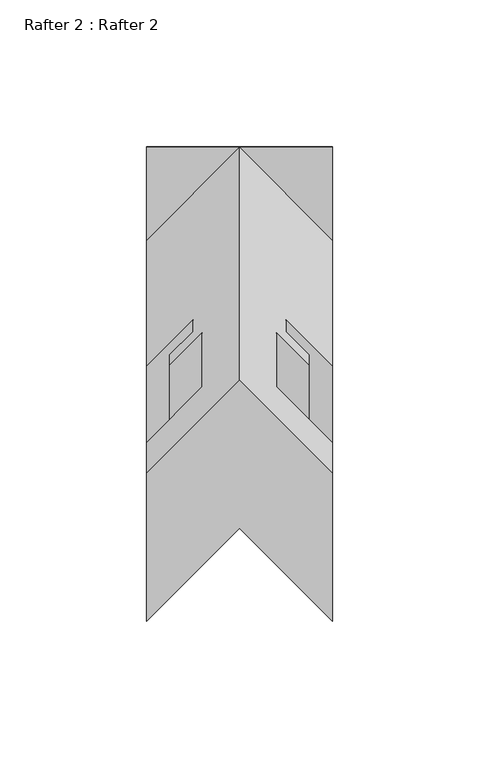
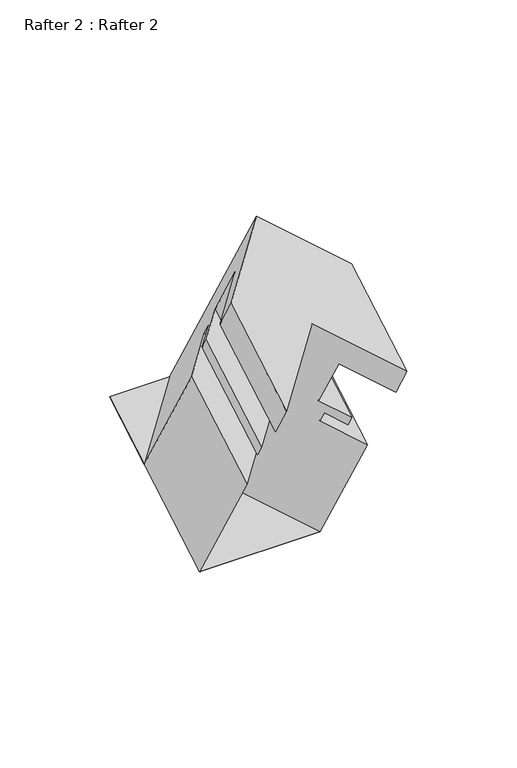
"""IFC4 building model written with IfcOpenShell, lengths in millimetres: proxy geometry, Rafter 2 : Rafter 2."""

from ifc_helpers import new_model, si_unit, origin, place, context, project, spatial, faceted_brep, source, transform, mapped, element, save


def rafter_2_rafter_2_d30ca8e8(model_context):
    return source(origin(), model_context, "Body", "Brep", [
        faceted_brep([(-8366.1192107, 8437.1231852, 1887.6597378), (-8302.6192107, 8437.1231852, 1887.6597378), (-8302.6192107, 8437.0185515, 1887.8409687), (-8366.1192107, 8437.0185515, 1887.8409687), (-8302.6192107, 8519.5406657, 1935.2434924), (-8366.1192107, 8519.5406657, 1935.2434924), (-8366.1192107, 8519.436032, 1935.4247233), (-8334.3692107, 8519.436032, 1935.4247233), (-8302.6192107, 8519.436032, 1935.4247233), (-8302.6192107, 8367.8954852, 2007.5656315), (-8302.6192107, 8418.5629657, 2036.818515), (-8302.6192107, 8408.2251657, 2054.7241098), (-8302.6192107, 8357.5576852, 2025.4712264), (-8321.6692107, 8386.9454852, 2018.5641542), (-8321.6692107, 8437.6129657, 2047.8170376), (-8321.6692107, 8405.3731852, 1986.6464415), (-8321.6692107, 8456.0406657, 2015.899325), (-8310.5440107, 8394.2479852, 1980.2233043), (-8310.5440107, 8444.9154657, 2009.4761878), (-8310.5440107, 8397.8293852, 1974.0201375), (-8310.5440107, 8448.4968657, 2003.273021), (-8318.4942107, 8405.7795852, 1978.6101876), (-8318.4942107, 8456.4470657, 2007.8630711), (-8318.4942107, 8409.7292852, 1971.7691066), (-8318.4942107, 8460.3967657, 2001.02199), (-8302.6192107, 8393.8542852, 1962.603671), (-8302.6192107, 8444.5217657, 1991.8565545), (-8302.6192107, 8487.686032, 1917.0938522), (-8366.1192107, 8393.8542852, 1962.603671), (-8366.1192107, 8444.5217657, 1991.8565545), (-8366.1192107, 8487.686032, 1917.0938522), (-8350.2442107, 8409.7292852, 1971.7691066), (-8350.2442107, 8460.3967657, 2001.02199), (-8350.2442107, 8405.7795852, 1978.6101876), (-8350.2442107, 8456.4470657, 2007.8630711), (-8358.1944107, 8397.8293852, 1974.0201375), (-8358.1944107, 8448.4968657, 2003.273021), (-8358.1944107, 8394.1983759, 1980.3092302), (-8358.1944107, 8444.8658563, 2009.5621137), (-8347.0692107, 8405.3235759, 1986.7323675), (-8347.0692107, 8455.9910563, 2015.9852509), (-8347.0692107, 8386.9454852, 2018.5641542), (-8347.0692107, 8437.6129657, 2047.8170376), (-8366.1192107, 8367.8764352, 2007.5986271), (-8366.1192107, 8418.5439157, 2036.8515106), (-8366.1192107, 8357.5576852, 2025.4712264), (-8366.1192107, 8408.2251657, 2054.7241098), (-8334.3692107, 8468.7685515, 1906.1718398), (-8334.3692107, 8389.3076852, 2043.8020974), (-8334.3692107, 8439.9751657, 2073.0549809)], [[[0, 1, 2, 3]], [[4, 5, 6, 7, 8]], [[9, 10, 11, 12]], [[10, 9, 13, 14]], [[14, 13, 15, 16]], [[16, 15, 17, 18]], [[18, 17, 19, 20]], [[20, 19, 21, 22]], [[22, 21, 23, 24]], [[24, 23, 25, 26]], [[1, 4, 8, 27, 26, 25, 2]], [[1, 0, 5, 4]], [[5, 0, 3, 28, 29, 30, 6]], [[29, 28, 31, 32]], [[32, 31, 33, 34]], [[34, 33, 35, 36]], [[36, 35, 37, 38]], [[38, 37, 39, 40]], [[40, 39, 41, 42]], [[42, 41, 43, 44]], [[44, 43, 45, 46]], [[2, 47, 3]], [[7, 27, 8]], [[30, 7, 6]], [[3, 47, 48, 45, 43, 41, 39, 37, 35, 33, 31, 28]], [[47, 2, 25, 23, 21, 19, 17, 15, 13, 9, 12, 48]], [[27, 7, 49, 11, 10, 14, 16, 18, 20, 22, 24, 26]], [[7, 30, 29, 32, 34, 36, 38, 40, 42, 44, 46, 49]], [[46, 45, 48, 12, 11, 49]]]),
    ])


if __name__ == "__main__":
    model = new_model("IFC4")
    model_context = context("Model", 3, world=origin())
    ifc_project = project(units=[si_unit("LENGTHUNIT", "METRE", prefix="MILLI")], contexts=[model_context])
    site = spatial("IfcSite", under=ifc_project)
    building = spatial("IfcBuilding", under=site)
    placement = place(None, origin())
    rafter_2_rafter_2_shape = rafter_2_rafter_2_d30ca8e8(model_context)
    element("IfcBuildingElementProxy", 1, Name="Rafter 2 : Rafter 2", ObjectType="Rafter 2 : Rafter 2", at=placement, inside=building, context=model_context, shape_type="MappedRepresentation", body=[
        mapped(rafter_2_rafter_2_shape, transform((0.0, 0.0, 0.0), x_axis=(1.0, 0.0, 0.0), y_axis=(0.0, 1.0, 0.0), z_axis=(0.0, 0.0, 1.0))),
    ])
    save(model, "model.ifc")
